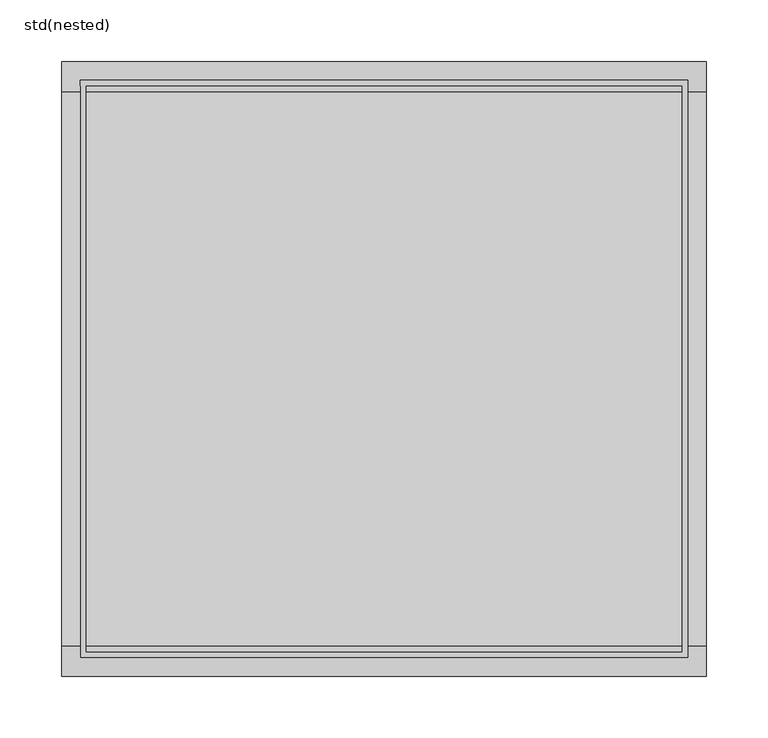
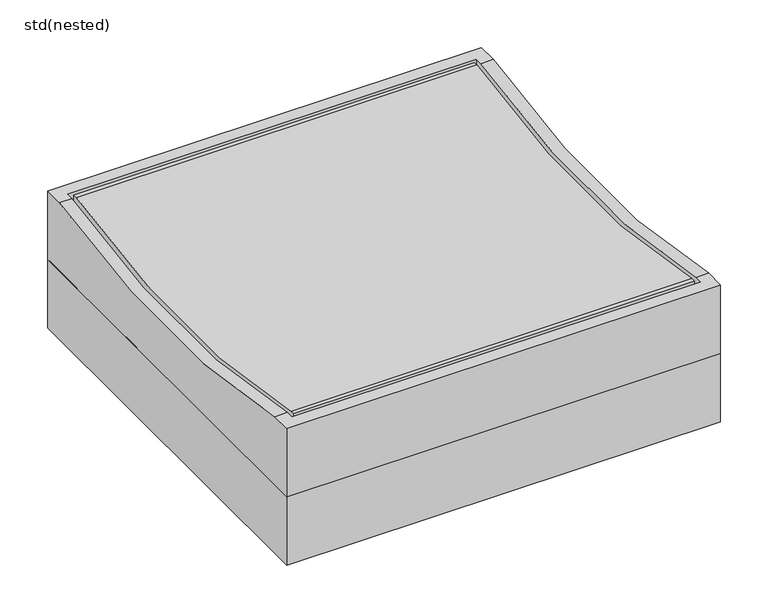
"""IFC4 building model written with IfcOpenShell, lengths in millimetres: sanitary terminal geometry, std(nested)."""

from ifc_helpers import new_model, si_unit, frame, origin, place, context, project, spatial, polyline, circle_curve, source, transform, mapped, element, save
from ifc_brep_helpers import plane_surface, cylinder_surface, revolved_surface, advanced_brep


def std_nested_515b3cdf(model_context):
    return source(origin(), model_context, "Body", "AdvancedBrep", [
        advanced_brep(
        [(262.0, 250.0, -87.5), (262.0, -250.0, -87.5), (-262.0, -250.0, -87.5), (-262.0, 250.0, -87.5), (247.0, 235.0, -87.5), (-247.0, 235.0, -87.5), (-247.0, -235.0, -87.5), (247.0, -235.0, -87.5), (262.0, 250.0, 0.0), (-262.0, 250.0, 0.0), (-262.0, 225.5, 0.0), (-247.0, 225.5, 0.0), (-247.0, 235.0, 0.0), (247.0, 235.0, 0.0), (247.0, 225.5, 0.0), (262.0, 225.5, 0.0), (-262.0, -250.0, 0.0), (262.0, -250.0, 0.0), (262.0, -225.5, 0.0), (247.0, -225.5, 0.0), (247.0, -235.0, 0.0), (-247.0, -235.0, 0.0), (-247.0, -225.5, 0.0), (-262.0, -225.5, 0.0)],
        [
            (0, 1),
            (1, 2),
            (2, 3),
            (3, 0),
            (4, 5),
            (5, 6),
            (6, 7),
            (7, 4),
            (8, 9),
            (9, 10),
            (10, 11),
            (11, 12),
            (12, 13),
            (13, 14),
            (14, 15),
            (15, 8),
            (16, 17),
            (17, 18),
            (18, 19),
            (19, 20),
            (20, 21),
            (21, 22),
            (22, 23),
            (23, 16),
            (3, 9),
            (8, 0),
            (2, 16),
            (23, 10, circle_curve(frame((-262.0, 0.0, 984.5847035), z_axis=(1.0, 0.0, 0.0), x_axis=(0.0, 1.0, 0.0)), 1010.0778626)),
            (1, 17),
            (15, 18, circle_curve(frame((262.0, 0.0, 984.5847035), z_axis=(-1.0, 0.0, 0.0), x_axis=(0.0, 1.0, 0.0)), 1010.0778626)),
            (22, 11, circle_curve(frame((-247.0, 0.0, 984.5847035), z_axis=(1.0, 0.0, 0.0), x_axis=(0.0, 1.0, 0.0)), 1010.0778626)),
            (14, 19, circle_curve(frame((247.0, 0.0, 984.5847035), z_axis=(-1.0, 0.0, 0.0), x_axis=(0.0, 1.0, 0.0)), 1010.0778626)),
            (4, 13),
            (12, 5),
            (21, 6),
            (20, 7),
        ],
        [
            plane_surface(frame((-262.0, 250.0, -87.5), z_axis=(0.0, 0.0, -1.0), x_axis=(1.0, 0.0, 0.0))),
            plane_surface(frame((-262.0, 250.0, 0.0), z_axis=(0.0, 0.0, 1.0), x_axis=(-1.0, 0.0, 0.0))),
            plane_surface(frame((262.0, 250.0, 0.0), z_axis=(0.0, 1.0, 0.0), x_axis=(0.0, 0.0, -1.0))),
            plane_surface(frame((-262.0, 250.0, 0.0), z_axis=(-1.0, 0.0, 0.0), x_axis=(0.0, 0.0, -1.0))),
            plane_surface(frame((-262.0, -250.0, 0.0), z_axis=(0.0, -1.0, 0.0), x_axis=(0.0, 0.0, -1.0))),
            plane_surface(frame((262.0, -250.0, 0.0), z_axis=(1.0, 0.0, 0.0), x_axis=(0.0, 0.0, -1.0))),
            revolved_surface(polyline([(-247.0, 1010.0778626, 984.5847035), (-262.0, 1010.0778626, 984.5847035)]), (-277.1771208, 0.0, 984.5847035), (1.0, 0.0, 0.0)),
            revolved_surface(polyline([(262.0, 1010.0778626, 984.5847035), (247.0, 1010.0778626, 984.5847035)]), (-277.1771208, 0.0, 984.5847035), (1.0, 0.0, 0.0)),
            plane_surface(frame((247.0, 235.0, 0.5), z_axis=(0.0, -1.0, 0.0), x_axis=(0.0, 0.0, -1.0))),
            plane_surface(frame((-247.0, 235.0, 0.5), z_axis=(1.0, 0.0, 0.0), x_axis=(0.0, 0.0, -1.0))),
            plane_surface(frame((-247.0, -235.0, 0.5), z_axis=(0.0, 1.0, 0.0), x_axis=(0.0, 0.0, -1.0))),
            plane_surface(frame((247.0, -235.0, 0.5), z_axis=(-1.0, 0.0, 0.0), x_axis=(0.0, 0.0, -1.0))),
        ],
        [
            (0, [[1, 2, 3, 4], [5, 6, 7, 8]]),
            (1, [[9, 10, 11, 12, 13, 14, 15, 16]]),
            (1, [[17, 18, 19, 20, 21, 22, 23, 24]]),
            (2, [[-4, 25, -9, 26]]),
            (3, [[-3, 27, -24, 28, -10, -25]]),
            (4, [[-2, 29, -17, -27]]),
            (5, [[-1, -26, -16, 30, -18, -29]]),
            (6, [[-28, -23, 31, -11]]),
            (7, [[-30, -15, 32, -19]]),
            (8, [[33, -13, 34, -5]]),
            (9, [[-34, -12, -31, -22, 35, -6]]),
            (10, [[-35, -21, 36, -7]]),
            (11, [[-33, -8, -36, -20, -32, -14]]),
        ],
    ),
        advanced_brep(
        [(242.0, 230.0, -87.5), (242.0, -230.0, -87.5), (-242.0, -230.0, -87.5), (-242.0, 230.0, -87.5), (-242.0, 225.5, 0.0), (242.0, 225.5, 0.0), (242.0, 230.0, 0.0), (-242.0, 230.0, 0.0), (242.0, -225.5, 0.0), (-242.0, -225.5, 0.0), (-242.0, -230.0, 0.0), (242.0, -230.0, 0.0)],
        [
            (0, 1),
            (1, 2),
            (2, 3),
            (3, 0),
            (4, 5),
            (5, 6),
            (6, 7),
            (7, 4),
            (8, 9),
            (9, 10),
            (10, 11),
            (11, 8),
            (4, 9, circle_curve(frame((-242.0, 0.0, 984.5847035), z_axis=(-1.0, 0.0, 0.0), x_axis=(0.0, 1.0, 0.0)), 1010.0778626)),
            (8, 5, circle_curve(frame((242.0, 0.0, 984.5847035), z_axis=(1.0, 0.0, 0.0), x_axis=(0.0, 1.0, 0.0)), 1010.0778626)),
            (0, 6),
            (11, 1),
            (10, 2),
            (7, 3),
        ],
        [
            plane_surface(frame((-262.0, 250.0, -87.5), z_axis=(0.0, 0.0, -1.0), x_axis=(1.0, 0.0, 0.0))),
            plane_surface(frame((-262.0, 250.0, 0.0), z_axis=(0.0, 0.0, 1.0), x_axis=(-1.0, 0.0, 0.0))),
            revolved_surface(polyline([(242.0, 1010.0778626, 984.5847035), (-242.0, 1010.0778626, 984.5847035)]), (-277.1771208, 0.0, 984.5847035), (1.0, 0.0, 0.0)),
            plane_surface(frame((242.0, 230.0, 0.5), z_axis=(1.0, 0.0, 0.0), x_axis=(0.0, 0.0, -1.0))),
            plane_surface(frame((242.0, -230.0, 0.5), z_axis=(0.0, -1.0, 0.0), x_axis=(0.0, 0.0, -1.0))),
            plane_surface(frame((-242.0, -230.0, 0.5), z_axis=(-1.0, 0.0, 0.0), x_axis=(0.0, 0.0, -1.0))),
            plane_surface(frame((-242.0, 230.0, 0.5), z_axis=(0.0, 1.0, 0.0), x_axis=(0.0, 0.0, -1.0))),
        ],
        [
            (0, [[1, 2, 3, 4]]),
            (1, [[5, 6, 7, 8]]),
            (1, [[9, 10, 11, 12]]),
            (2, [[-5, 13, -9, 14]]),
            (3, [[15, -6, -14, -12, 16, -1]]),
            (4, [[-16, -11, 17, -2]]),
            (5, [[-17, -10, -13, -8, 18, -3]]),
            (6, [[-15, -4, -18, -7]]),
        ],
    ),
        advanced_brep(
        [(-262.0, 250.0, -175.0), (262.0, 250.0, -175.0), (262.0, -250.0, -175.0), (-262.0, -250.0, -175.0), (193.0, 0.0, -175.0), (-193.0, 0.0, -175.0), (-262.0, 250.0, -86.5), (-262.0, -250.0, -86.5), (262.0, -250.0, -86.5), (262.0, 250.0, -86.5), (176.0, 0.0, -86.5), (-176.0, 0.0, -86.5), (193.0, 0.0, -99.0), (-193.0, 0.0, -99.0), (-176.0, 0.0, -99.0), (176.0, 0.0, -99.0)],
        [
            (0, 1),
            (1, 2),
            (2, 3),
            (3, 0),
            (4, 5, circle_curve(frame((0.0, 0.0, -175.0), z_axis=(0.0, 0.0, 1.0), x_axis=(-1.0, 0.0, 0.0)), 193.0)),
            (5, 4, circle_curve(frame((0.0, 0.0, -175.0), z_axis=(0.0, 0.0, 1.0), x_axis=(-1.0, 0.0, 0.0)), 193.0)),
            (6, 7),
            (7, 8),
            (8, 9),
            (9, 6),
            (10, 11, circle_curve(frame((0.0, 0.0, -86.5), z_axis=(0.0, 0.0, -1.0), x_axis=(-1.0, 0.0, 0.0)), 176.0)),
            (11, 10, circle_curve(frame((0.0, 0.0, -86.5), z_axis=(0.0, 0.0, -1.0), x_axis=(-1.0, 0.0, 0.0)), 176.0)),
            (3, 7),
            (6, 0),
            (2, 8),
            (1, 9),
            (12, 13, circle_curve(frame((0.0, 0.0, -99.0), z_axis=(0.0, 0.0, 1.0), x_axis=(-1.0, 0.0, 0.0)), 193.0)),
            (13, 5),
            (4, 12),
            (13, 12, circle_curve(frame((0.0, 0.0, -99.0), z_axis=(0.0, 0.0, 1.0), x_axis=(-1.0, 0.0, 0.0)), 193.0)),
            (14, 15, circle_curve(frame((0.0, 0.0, -99.0), z_axis=(0.0, 0.0, 1.0), x_axis=(-1.0, 0.0, 0.0)), 176.0)),
            (15, 14, circle_curve(frame((0.0, 0.0, -99.0), z_axis=(0.0, 0.0, 1.0), x_axis=(-1.0, 0.0, 0.0)), 176.0)),
            (10, 15),
            (14, 11),
        ],
        [
            plane_surface(frame((-262.0, 250.0, -175.0), z_axis=(0.0, 0.0, -1.0), x_axis=(0.0, 1.0, 0.0))),
            plane_surface(frame((-262.0, 250.0, -86.5), z_axis=(0.0, 0.0, 1.0), x_axis=(0.0, -1.0, 0.0))),
            plane_surface(frame((-262.0, 250.0, -86.5), z_axis=(-1.0, 0.0, 0.0), x_axis=(0.0, 0.0, -1.0))),
            plane_surface(frame((-262.0, -250.0, -86.5), z_axis=(0.0, -1.0, 0.0), x_axis=(0.0, 0.0, -1.0))),
            plane_surface(frame((262.0, -250.0, -86.5), z_axis=(1.0, 0.0, 0.0), x_axis=(0.0, 0.0, -1.0))),
            plane_surface(frame((262.0, 250.0, -86.5), z_axis=(0.0, 1.0, 0.0), x_axis=(0.0, 0.0, -1.0))),
            revolved_surface(polyline([(-193.0, 0.0, -99.0), (-193.0, 0.0, -175.0)]), (0.0, 0.0, -175.0), (0.0, 0.0, 1.0)),
            plane_surface(frame((-193.0, 0.0, -99.0), z_axis=(0.0, 0.0, -1.0), x_axis=(0.0, -1.0, 0.0))),
            revolved_surface(polyline([(-176.0, 0.0, -99.0), (-176.0, 0.0, -86.5)]), (0.0, 0.0, -175.0), (0.0, 0.0, -1.0)),
        ],
        [
            (0, [[1, 2, 3, 4], [5, 6]]),
            (1, [[7, 8, 9, 10], [11, 12]]),
            (2, [[-4, 13, -7, 14]]),
            (3, [[-3, 15, -8, -13]]),
            (4, [[-2, 16, -9, -15]]),
            (5, [[-1, -14, -10, -16]]),
            (6, [[17, 18, -5, 19]]),
            (6, [[20, -19, -6, -18]]),
            (7, [[-20, -17], [21, 22]]),
            (8, [[-11, 23, -21, 24]]),
            (8, [[-12, -24, -22, -23]]),
        ],
    ),
        advanced_brep(
        [(193.0, 0.0, -175.0), (-193.0, 0.0, -175.0), (175.5, 0.0, -175.0), (-175.5, 0.0, -175.0), (-175.5, 0.0, -99.0), (175.5, 0.0, -99.0), (-193.0, 0.0, -99.0), (193.0, 0.0, -99.0), (193.0, 0.0, -86.5), (-193.0, 0.0, -86.5), (175.5, 0.0, -86.5), (-175.5, 0.0, -86.5)],
        [
            (0, 1, circle_curve(frame((0.0, 0.0, -175.0), z_axis=(0.0, 0.0, -1.0), x_axis=(-1.0, 0.0, 0.0)), 193.0)),
            (1, 0, circle_curve(frame((0.0, 0.0, -175.0), z_axis=(0.0, 0.0, -1.0), x_axis=(-1.0, 0.0, 0.0)), 193.0)),
            (2, 3, circle_curve(frame((0.0, 0.0, -175.0), z_axis=(0.0, 0.0, 1.0), x_axis=(-1.0, 0.0, 0.0)), 175.5)),
            (3, 2, circle_curve(frame((0.0, 0.0, -175.0), z_axis=(0.0, 0.0, 1.0), x_axis=(-1.0, 0.0, 0.0)), 175.5)),
            (3, 4),
            (4, 5, circle_curve(frame((0.0, 0.0, -99.0), z_axis=(0.0, 0.0, 1.0), x_axis=(-1.0, 0.0, 0.0)), 175.5)),
            (5, 2),
            (5, 4, circle_curve(frame((0.0, 0.0, -99.0), z_axis=(0.0, 0.0, 1.0), x_axis=(-1.0, 0.0, 0.0)), 175.5)),
            (1, 6),
            (6, 7, circle_curve(frame((0.0, 0.0, -99.0), z_axis=(0.0, 0.0, -1.0), x_axis=(-1.0, 0.0, 0.0)), 193.0)),
            (7, 0),
            (7, 6, circle_curve(frame((0.0, 0.0, -99.0), z_axis=(0.0, 0.0, -1.0), x_axis=(-1.0, 0.0, 0.0)), 193.0)),
            (8, 9, circle_curve(frame((0.0, 0.0, -86.5), z_axis=(0.0, 0.0, 1.0), x_axis=(-1.0, 0.0, 0.0)), 193.0)),
            (9, 8, circle_curve(frame((0.0, 0.0, -86.5), z_axis=(0.0, 0.0, 1.0), x_axis=(-1.0, 0.0, 0.0)), 193.0)),
            (10, 11, circle_curve(frame((0.0, 0.0, -86.5), z_axis=(0.0, 0.0, -1.0), x_axis=(-1.0, 0.0, 0.0)), 175.5)),
            (11, 10, circle_curve(frame((0.0, 0.0, -86.5), z_axis=(0.0, 0.0, -1.0), x_axis=(-1.0, 0.0, 0.0)), 175.5)),
            (10, 5),
            (4, 11),
            (8, 7),
            (6, 9),
        ],
        [
            plane_surface(frame((-175.5, 0.0, -175.0), z_axis=(0.0, 0.0, -1.0), x_axis=(0.0, -1.0, 0.0))),
            revolved_surface(polyline([(-175.5, 0.0, -175.0), (-175.5, 0.0, -99.0)]), (0.0, 0.0, -175.0), (0.0, 0.0, -1.0)),
            cylinder_surface(frame((0.0, 0.0, -175.0), z_axis=(0.0, 0.0, 1.0), x_axis=(-1.0, 0.0, 0.0)), 193.0),
            plane_surface(frame((-175.5, 0.0, -86.5), z_axis=(0.0, 0.0, 1.0), x_axis=(0.0, 1.0, 0.0))),
            revolved_surface(polyline([(-175.5, 0.0, -99.0), (-175.5, 0.0, -86.5)]), (0.0, 0.0, -175.0), (0.0, 0.0, -1.0)),
        ],
        [
            (0, [[1, 2], [3, 4]]),
            (1, [[-4, 5, 6, 7]]),
            (1, [[-3, -7, 8, -5]]),
            (2, [[-2, 9, 10, 11]]),
            (2, [[-1, -11, 12, -9]]),
            (3, [[13, 14], [15, 16]]),
            (4, [[-15, 17, -6, 18]]),
            (4, [[-16, -18, -8, -17]]),
            (2, [[-13, 19, -10, 20]]),
            (2, [[-14, -20, -12, -19]]),
        ],
    ),
    ])


if __name__ == "__main__":
    model = new_model("IFC4")
    model_context = context("Model", 3, world=origin())
    ifc_project = project(units=[si_unit("LENGTHUNIT", "METRE", prefix="MILLI")], contexts=[model_context])
    site = spatial("IfcSite", under=ifc_project)
    building = spatial("IfcBuilding", under=site)
    placement = place(None, origin())
    std_nested_shape = std_nested_515b3cdf(model_context)
    element("IfcSanitaryTerminal", 1, ObjectType="std(nested)", at=placement, inside=building, context=model_context, shape_type="MappedRepresentation", body=[
        mapped(std_nested_shape, transform((0.0, 0.0, 0.0), x_axis=(1.0, 0.0, 0.0), y_axis=(0.0, 1.0, 0.0), z_axis=(0.0, 0.0, 1.0))),
    ])
    save(model, "model.ifc")
